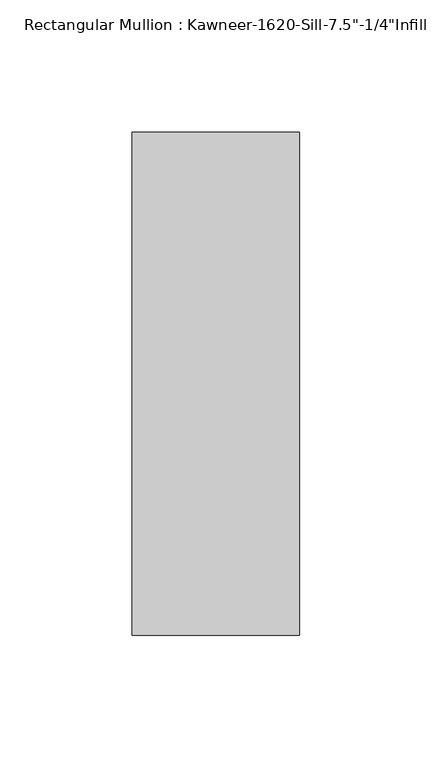
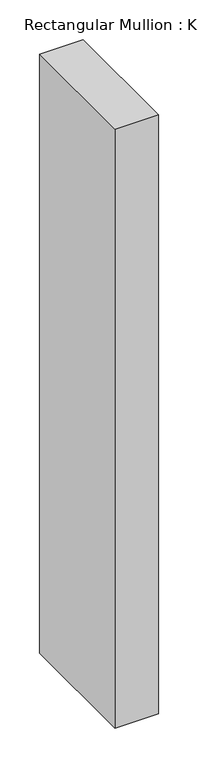
"""IFC4 building model written with IfcOpenShell, lengths in millimetres: member geometry."""

import ifcopenshell
import ifcopenshell.guid

model = None  # the IFC model being written
_history = None  # IfcOwnerHistory: only IFC2X3 demands one
_inside = {}  # id of a spatial element -> (the spatial element, [elements in it])
_under = {}  # id of a project, library or spatial element -> (it, [spatial elements below it])
_declared = {}  # id of a project -> (the project, [libraries it declares])
_typed = {}  # id of a type object -> (the type object, [elements of that type])
_made_of = {}  # id of a material, layer set ... -> (it, [elements and type objects made of it])


def new_model(schema):
    """Start an empty IFC model of exactly this schema.

    Asked for "IFC4X3", IfcOpenShell would pick the latest addendum, in which some entities
    have other attributes; the version numbers below select the first issue.
    IFC2X3 requires an IfcOwnerHistory on every rooted entity: one is made here for all.
    """
    global model, _history
    if schema == "IFC4X3":
        model = ifcopenshell.file(schema_version=(4, 3, 0, 0))
    else:
        model = ifcopenshell.file(schema=schema)
    _inside.clear()
    _under.clear()
    _declared.clear()
    _typed.clear()
    _made_of.clear()
    _history = None
    if model.schema == "IFC2X3":
        org = make("IfcOrganization", Name="unknown")
        user = make(
            "IfcPersonAndOrganization",
            ThePerson=make("IfcPerson", FamilyName="unknown"),
            TheOrganization=org,
        )
        app = make(
            "IfcApplication",
            ApplicationDeveloper=org,
            Version="unknown",
            ApplicationFullName="unknown",
            ApplicationIdentifier="unknown",
        )
        _history = make(
            "IfcOwnerHistory",
            OwningUser=user,
            OwningApplication=app,
            ChangeAction="ADDED",
            CreationDate=0,
        )
    return model


def make(cls, **values):
    """One entity of the class cls with the attributes given. An attribute that is None is left unset."""
    return model.create_entity(
        cls, **{name: value for name, value in values.items() if value is not None}
    )


def rooted(cls, **values):
    """An entity with a GlobalId (a new one), such as an element, a storey or a relation."""
    return make(cls, GlobalId=ifcopenshell.guid.new(), OwnerHistory=_history, **values)


def si_unit(unit_type, name, prefix=None):
    """IfcSIUnit, for example si_unit("LENGTHUNIT", "METRE", prefix="MILLI")."""
    return make("IfcSIUnit", UnitType=unit_type, Prefix=prefix, Name=name)


def assignment(units):
    """IfcUnitAssignment: the units of a project."""
    return None if units is None else make("IfcUnitAssignment", Units=units)


def point(xyz):
    """IfcCartesianPoint."""
    return None if xyz is None else make("IfcCartesianPoint", Coordinates=xyz)


def direction(xyz):
    """IfcDirection."""
    return None if xyz is None else make("IfcDirection", DirectionRatios=xyz)


def frame(location, z_axis=None, x_axis=None):
    """IfcAxis2Placement3D, a coordinate frame: its origin and axes. An axis left out is left unset."""
    return make(
        "IfcAxis2Placement3D",
        Location=point(location),
        Axis=direction(z_axis),
        RefDirection=direction(x_axis),
    )


def origin():
    """The frame at (0, 0, 0) with its axes left unset."""
    return frame((0.0, 0.0, 0.0))


def place(relative_to, where):
    """IfcLocalPlacement: puts the frame where relative to a parent placement (None: the world)."""
    return make(
        "IfcLocalPlacement", PlacementRelTo=relative_to, RelativePlacement=where
    )


def context(
    kind, dimensions, precision=None, world=None, true_north=None, identifier=None
):
    """IfcGeometricRepresentationContext, for example the 3D "Model" context."""
    return make(
        "IfcGeometricRepresentationContext",
        ContextIdentifier=identifier,
        ContextType=kind,
        CoordinateSpaceDimension=dimensions,
        Precision=precision,
        WorldCoordinateSystem=world,
        TrueNorth=true_north,
    )


def project(units=None, contexts=None):
    """IfcProject with its units and contexts."""
    return rooted(
        "IfcProject",
        Name="project",
        RepresentationContexts=contexts,
        UnitsInContext=assignment(units),
    )


def spatial(cls, under=None, at=None, **own):
    """A site, building, storey or space (cls), placed at a placement, below another one or the project."""
    s = rooted(cls, ObjectPlacement=at, **own)
    if under is not None:
        _under.setdefault(under.id(), (under, []))[1].append(s)
    return s


def polyline(points):
    """IfcPolyline through the points."""
    return make("IfcPolyline", Points=[point(p) for p in points])


def outline(outer, holes=None, kind="AREA"):
    """IfcArbitraryClosedProfileDef: a profile drawn as a closed curve; with holes, ...WithVoids."""
    if holes is None:
        return make("IfcArbitraryClosedProfileDef", ProfileType=kind, OuterCurve=outer)
    return make(
        "IfcArbitraryProfileDefWithVoids",
        ProfileType=kind,
        OuterCurve=outer,
        InnerCurves=holes,
    )


def extrude(swept, where, along, depth):
    """IfcExtrudedAreaSolid: the profile swept, set in the frame where, extruded along a direction by depth."""
    return make(
        "IfcExtrudedAreaSolid",
        SweptArea=swept,
        Position=where,
        ExtrudedDirection=direction(along),
        Depth=depth,
    )


def shape(context_of_items, identifier, shape_type, items):
    """IfcShapeRepresentation: the items that make up one representation, for example the "Body"."""
    return make(
        "IfcShapeRepresentation",
        ContextOfItems=context_of_items,
        RepresentationIdentifier=identifier,
        RepresentationType=shape_type,
        Items=items,
    )


def source(mapping_origin, context_of_items, identifier, shape_type, items):
    """IfcRepresentationMap: a shape defined once, which mapped items show again and again."""
    return make(
        "IfcRepresentationMap",
        MappingOrigin=mapping_origin,
        MappedRepresentation=shape(context_of_items, identifier, shape_type, items),
    )


def transform(
    local_origin,
    x_axis=None,
    y_axis=None,
    z_axis=None,
    scale=None,
    scale2=None,
    scale3=None,
    uniform=True,
):
    """IfcCartesianTransformationOperator3D, or its non-uniform kind. x_axis, y_axis, z_axis: its Axis1, 2, 3."""
    if uniform:
        return make(
            "IfcCartesianTransformationOperator3D",
            Axis1=direction(x_axis),
            Axis2=direction(y_axis),
            LocalOrigin=point(local_origin),
            Scale=scale,
            Axis3=direction(z_axis),
        )
    return make(
        "IfcCartesianTransformationOperator3DnonUniform",
        Axis1=direction(x_axis),
        Axis2=direction(y_axis),
        LocalOrigin=point(local_origin),
        Scale=scale,
        Axis3=direction(z_axis),
        Scale2=scale2,
        Scale3=scale3,
    )


def mapped(mapping_source, mapping_target):
    """IfcMappedItem: shows the shape of a source again, moved by a transform."""
    return make(
        "IfcMappedItem", MappingSource=mapping_source, MappingTarget=mapping_target
    )


def made_of(thing, what):
    """Note that an element or type object is made of a material, layer set ...; save() writes the relation."""
    if what is not None:
        _made_of.setdefault(what.id(), (what, []))[1].append(thing)
    return thing


def element(
    cls,
    number,
    at=None,
    inside=None,
    cuts=None,
    type_object=None,
    material=None,
    context=None,
    identifier="Body",
    shape_type=None,
    held_by="IfcProductDefinitionShape",
    body=None,
    shapes=None,
    **own,
):
    """One element of the class cls, such as IfcWall. Its Tag is "e" and its number.

    at: its placement. inside: the storey or other place that contains it. cuts: it is an
    opening in that element (IfcRelVoidsElement). A single representation is given by context,
    identifier, shape_type and body (its items); several are given by shapes. held_by: the class
    of the entity that holds the representations. save() writes the other relations.
    """
    e = rooted(cls, Tag="e%d" % number, ObjectPlacement=at, **own)
    if body is not None:
        shapes = [shape(context, identifier, shape_type, body)]
    if shapes is not None:
        e.Representation = make(held_by, Representations=shapes)
    if inside is not None:
        _inside.setdefault(inside.id(), (inside, []))[1].append(e)
    if cuts is not None:
        rooted(
            "IfcRelVoidsElement", RelatingBuildingElement=cuts, RelatedOpeningElement=e
        )
    if type_object is not None:
        _typed.setdefault(type_object.id(), (type_object, []))[1].append(e)
    return made_of(e, material)


def aggregate(whole, parts):
    """IfcRelAggregates: a whole, such as a stair, and the parts it consists of."""
    return rooted("IfcRelAggregates", RelatingObject=whole, RelatedObjects=parts)


def save(model, path):
    """Write the relations noted so far, then the file.

    IfcRelAggregates (storeys below a building ...), IfcRelContainedInSpatialStructure (elements
    in a storey), IfcRelDefinesByType, IfcRelAssociatesMaterial and IfcRelDeclares: one each for
    every whole, place, type object, material and project.
    """
    for whole, parts in _under.values():
        aggregate(whole, parts)
    for where, things in _inside.values():
        rooted(
            "IfcRelContainedInSpatialStructure",
            RelatedElements=things,
            RelatingStructure=where,
        )
    for kind, things in _typed.values():
        rooted("IfcRelDefinesByType", RelatedObjects=things, RelatingType=kind)
    for what, things in _made_of.values():
        rooted("IfcRelAssociatesMaterial", RelatedObjects=things, RelatingMaterial=what)
    for by, libraries in _declared.values():
        rooted("IfcRelDeclares", RelatingContext=by, RelatedDefinitions=libraries)
    model.write(path)


def member_4d30e308(model_context):
    return source(origin(), model_context, "Body", "SweptSolid", [
        extrude(outline(polyline([(-63.5, 28.575), (0.0, 28.575), (0.0, -161.925), (-63.5, -161.925), (-63.5, 28.575)])), frame((0.0, 0.0, -923.2948107), z_axis=(0.0, 0.0, 1.0), x_axis=(1.0, 0.0, 0.0)), (0.0, 0.0, 1.0), 923.2948107),
    ])


if __name__ == "__main__":
    model = new_model("IFC4")
    model_context = context("Model", 3, world=origin())
    ifc_project = project(units=[si_unit("LENGTHUNIT", "METRE", prefix="MILLI")], contexts=[model_context])
    site = spatial("IfcSite", under=ifc_project)
    building = spatial("IfcBuilding", under=site)
    placement = place(None, origin())
    member_shape = member_4d30e308(model_context)
    element("IfcMember", 1, ObjectType="Rectangular Mullion : Kawneer-1620-Sill-7.5\"-1/4\"Infill", at=placement, inside=building, context=model_context, shape_type="MappedRepresentation", body=[
        mapped(member_shape, transform((0.0, 0.0, 0.0), x_axis=(1.0, 0.0, 0.0), y_axis=(0.0, 1.0, 0.0), z_axis=(0.0, 0.0, 1.0))),
    ])
    save(model, "model.ifc")
